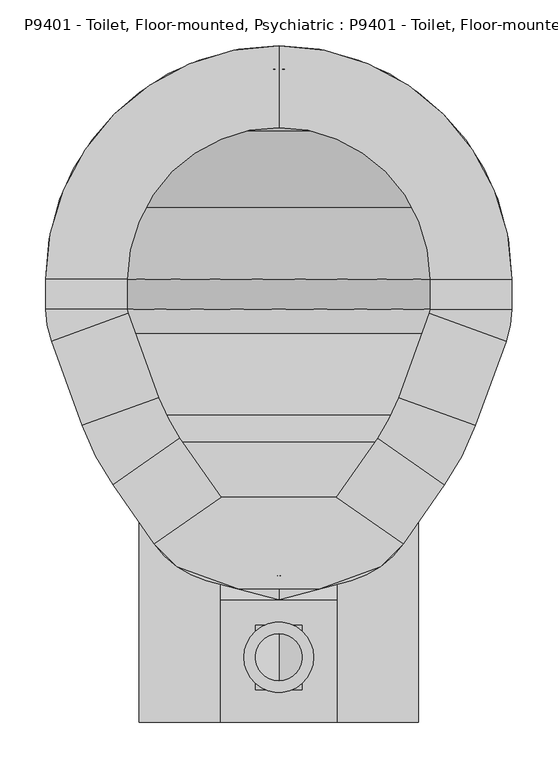
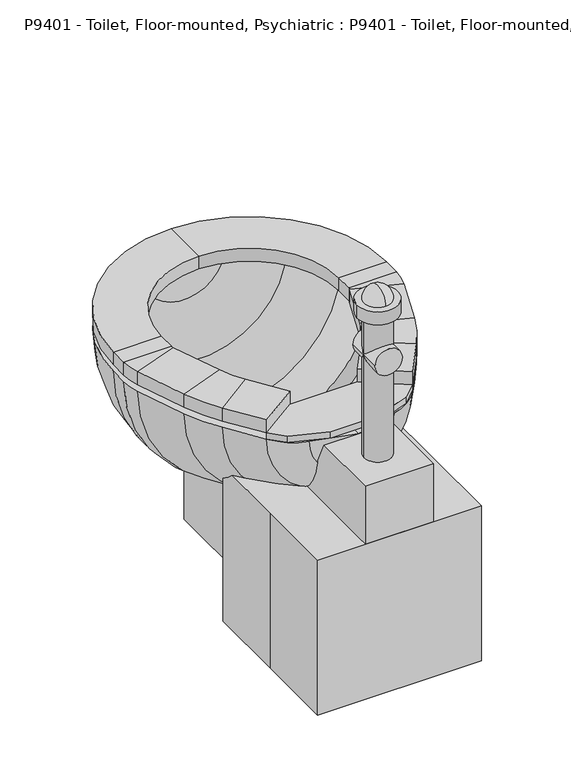
"""IFC4 building model written with IfcOpenShell, lengths in millimetres: proxy geometry, P9401 - Toilet, Floor-mounted, Psychiatric : P9401 - Toilet, Floor-mounted, Psychiatric."""

from ifc_helpers import new_model, si_unit, point, frame, frame_2d, origin, origin_with_axes, place, context, project, spatial, polyline, circle_curve, ellipse_curve, trimmed, segment, composite_curve, outline, extrude, source, transform, mapped, element, save
from ifc_brep_helpers import plane_surface, cylinder_surface, revolved_surface, advanced_brep


def p9401_toilet_floor_mounted_psychiatric_p9401_toilet_floor_46becfc2(model_context):
    return source(origin(), model_context, "Body", "SolidModel", [
        extrude(outline(polyline([(-152.4, -152.4), (-152.4, 0.0), (-152.4, 152.4), (152.4, 152.4), (152.4, -152.4), (-152.4, -152.4)])), origin_with_axes(), (0.0, 0.0, 1.0), 304.8),
        advanced_brep(
        [(-86.8731164, 568.8819257, 419.1), (-179.6051224, 509.8051224, 419.1), (-238.6819257, 417.0731164, 419.1), (-254.0, 330.2, 419.1), (-254.0, 297.3148212, 419.1), (-247.8727703, 262.5655747, 419.1), (-214.4568992, 170.7562234, 419.1), (-180.7778621, 106.0593951, 419.1), (-135.6735798, 41.6438043, 419.1), (-78.7437471, 1.7811063, 419.1), (0.0, -19.3182171, 419.1), (0.0, 6.9777978, 419.1), (-63.2399099, 23.9228806, 419.1), (-120.1697426, 63.7855786, 419.1), (-158.0533758, 117.8890139, 419.1), (-191.7324129, 182.5858422, 419.1), (-224.0045777, 271.2528863, 419.1), (-228.6, 297.3148212, 419.1), (-228.6, 330.2, 419.1), (-214.8137331, 408.3858048, 419.1), (-161.6446102, 491.8446102, 419.1), (-78.1858048, 545.0137331, 419.1), (0.0, 558.8, 419.1), (0.0, 584.2, 419.1), (86.8731164, 568.8819257, 419.1), (78.1858048, 545.0137331, 419.1), (161.6446102, 491.8446102, 419.1), (214.8137331, 408.3858048, 419.1), (228.6, 330.2, 419.1), (228.6, 297.3148212, 419.1), (224.0045777, 271.2528863, 419.1), (191.7324129, 182.5858422, 419.1), (158.0533758, 117.8890139, 419.1), (120.1697426, 63.7855786, 419.1), (63.2399099, 23.9228806, 419.1), (78.7437471, 1.7811063, 419.1), (135.6735798, 41.6438043, 419.1), (180.7778621, 106.0593951, 419.1), (214.4568992, 170.7562234, 419.1), (247.8727703, 262.5655747, 419.1), (254.0, 297.3148212, 419.1), (254.0, 330.2, 419.1), (238.6819257, 417.0731164, 419.1), (179.6051224, 509.8051224, 419.1)],
        [
            (0, 1, circle_curve(frame((0.0, 330.2, 419.1), z_axis=(0.0, 0.0, 1.0), x_axis=(0.0, 1.0, 0.0)), 254.0)),
            (1, 2, circle_curve(frame((0.0, 330.2, 419.1), z_axis=(0.0, 0.0, 1.0), x_axis=(0.0, 1.0, 0.0)), 254.0)),
            (2, 3, circle_curve(frame((0.0, 330.2, 419.1), z_axis=(0.0, 0.0, 1.0), x_axis=(0.0, 1.0, 0.0)), 254.0)),
            (3, 4),
            (4, 5, circle_curve(frame((-152.4, 297.3148212, 419.1), z_axis=(0.0, 0.0, 1.0), x_axis=(0.0, 1.0, 0.0)), 101.6)),
            (5, 6),
            (6, 7, circle_curve(frame((48.0932191, 266.3166514, 419.1), z_axis=(0.0, 0.0, 1.0), x_axis=(0.0, 1.0, 0.0)), 279.4)),
            (7, 8),
            (8, 9, circle_curve(frame((-52.4477321, 99.9191703, 419.1), z_axis=(0.0, 0.0, 1.0), x_axis=(0.0, 1.0, 0.0)), 101.6)),
            (9, 10),
            (10, 11),
            (11, 12),
            (12, 13, circle_curve(frame((-36.9438949, 122.0609446, 419.1), z_axis=(0.0, 0.0, -1.0), x_axis=(0.0, 1.0, 0.0)), 101.6)),
            (13, 14),
            (14, 15, circle_curve(frame((70.8177054, 278.1462703, 419.1), z_axis=(0.0, 0.0, -1.0), x_axis=(0.0, 1.0, 0.0)), 279.4)),
            (15, 16),
            (16, 17, circle_curve(frame((-152.4, 297.3148212, 419.1), z_axis=(0.0, 0.0, -1.0), x_axis=(0.0, 1.0, 0.0)), 76.2)),
            (17, 18),
            (18, 19, circle_curve(frame((0.0, 330.2, 419.1), z_axis=(0.0, 0.0, -1.0), x_axis=(0.0, 1.0, 0.0)), 228.6)),
            (19, 20, circle_curve(frame((0.0, 330.2, 419.1), z_axis=(0.0, 0.0, -1.0), x_axis=(0.0, 1.0, 0.0)), 228.6)),
            (20, 21, circle_curve(frame((0.0, 330.2, 419.1), z_axis=(0.0, 0.0, -1.0), x_axis=(0.0, 1.0, 0.0)), 228.6)),
            (21, 22, circle_curve(frame((0.0, 330.2, 419.1), z_axis=(0.0, 0.0, -1.0), x_axis=(0.0, 1.0, 0.0)), 228.6)),
            (22, 23),
            (23, 0, circle_curve(frame((0.0, 330.2, 419.1), z_axis=(0.0, 0.0, 1.0), x_axis=(0.0, 1.0, 0.0)), 254.0)),
            (24, 23, circle_curve(frame((0.0, 330.2, 419.1), z_axis=(0.0, 0.0, 1.0), x_axis=(0.0, 1.0, 0.0)), 254.0)),
            (22, 25, circle_curve(frame((0.0, 330.2, 419.1), z_axis=(0.0, 0.0, -1.0), x_axis=(0.0, 1.0, 0.0)), 228.6)),
            (25, 26, circle_curve(frame((0.0, 330.2, 419.1), z_axis=(0.0, 0.0, -1.0), x_axis=(0.0, 1.0, 0.0)), 228.6)),
            (26, 27, circle_curve(frame((0.0, 330.2, 419.1), z_axis=(0.0, 0.0, -1.0), x_axis=(0.0, 1.0, 0.0)), 228.6)),
            (27, 28, circle_curve(frame((0.0, 330.2, 419.1), z_axis=(0.0, 0.0, -1.0), x_axis=(0.0, 1.0, 0.0)), 228.6)),
            (28, 29),
            (29, 30, circle_curve(frame((152.4, 297.3148212, 419.1), z_axis=(0.0, 0.0, -1.0), x_axis=(0.0, 1.0, 0.0)), 76.2)),
            (30, 31),
            (31, 32, circle_curve(frame((-70.8177054, 278.1462703, 419.1), z_axis=(0.0, 0.0, -1.0), x_axis=(0.0, 1.0, 0.0)), 279.4)),
            (32, 33),
            (33, 34, circle_curve(frame((36.9438949, 122.0609446, 419.1), z_axis=(0.0, 0.0, -1.0), x_axis=(0.0, 1.0, 0.0)), 101.6)),
            (34, 11),
            (10, 35),
            (35, 36, circle_curve(frame((52.4477321, 99.9191703, 419.1), z_axis=(0.0, 0.0, 1.0), x_axis=(0.0, 1.0, 0.0)), 101.6)),
            (36, 37),
            (37, 38, circle_curve(frame((-48.0932191, 266.3166514, 419.1), z_axis=(0.0, 0.0, 1.0), x_axis=(0.0, 1.0, 0.0)), 279.4)),
            (38, 39),
            (39, 40, circle_curve(frame((152.4, 297.3148212, 419.1), z_axis=(0.0, 0.0, 1.0), x_axis=(0.0, 1.0, 0.0)), 101.6)),
            (40, 41),
            (41, 42, circle_curve(frame((0.0, 330.2, 419.1), z_axis=(0.0, 0.0, 1.0), x_axis=(0.0, 1.0, 0.0)), 254.0)),
            (42, 43, circle_curve(frame((0.0, 330.2, 419.1), z_axis=(0.0, 0.0, 1.0), x_axis=(0.0, 1.0, 0.0)), 254.0)),
            (43, 24, circle_curve(frame((0.0, 330.2, 419.1), z_axis=(0.0, 0.0, 1.0), x_axis=(0.0, 1.0, 0.0)), 254.0)),
            (24, 0, circle_curve(frame((0.0, 568.8819257, 419.1), z_axis=(0.0, 1.0, 0.0), x_axis=(-1.0, 0.0, 0.0)), 86.8731164)),
            (21, 25, circle_curve(frame((0.0, 545.0137331, 419.1), z_axis=(0.0, -1.0, 0.0), x_axis=(-1.0, 0.0, 0.0)), 78.1858048)),
            (20, 26, circle_curve(frame((0.0, 491.8446102, 419.1), z_axis=(0.0, -1.0, 0.0), x_axis=(-1.0, 0.0, 0.0)), 161.6446102)),
            (19, 27, circle_curve(frame((0.0, 408.3858048, 419.1), z_axis=(0.0, -1.0, 0.0), x_axis=(-1.0, 0.0, 0.0)), 214.8137331)),
            (18, 28, circle_curve(frame((0.0, 330.2, 419.1), z_axis=(0.0, -1.0, 0.0), x_axis=(-1.0, 0.0, 0.0)), 228.6)),
            (17, 29, circle_curve(frame((0.0, 297.3148212, 419.1), z_axis=(0.0, -1.0, 0.0), x_axis=(-1.0, 0.0, 0.0)), 228.6)),
            (16, 30, circle_curve(frame((0.0, 271.2528863, 419.1), z_axis=(0.0, -1.0, 0.0), x_axis=(-1.0, 0.0, 0.0)), 224.0045777)),
            (15, 31, circle_curve(frame((0.0, 182.5858422, 419.1), z_axis=(0.0, -1.0, 0.0), x_axis=(-1.0, 0.0, 0.0)), 191.7324129)),
            (14, 32, circle_curve(frame((0.0, 117.8890139, 419.1), z_axis=(0.0, -1.0, 0.0), x_axis=(-1.0, 0.0, 0.0)), 158.0533758)),
            (13, 33, circle_curve(frame((0.0, 63.7855786, 419.1), z_axis=(0.0, -1.0, 0.0), x_axis=(-1.0, 0.0, 0.0)), 120.1697426)),
            (12, 34, circle_curve(frame((0.0, 23.9228806, 419.1), z_axis=(0.0, -1.0, 0.0), x_axis=(-1.0, 0.0, 0.0)), 63.2399099)),
            (9, 35, circle_curve(frame((0.0, 1.7811063, 419.1), z_axis=(0.0, -1.0, 0.0), x_axis=(-1.0, 0.0, 0.0)), 78.7437471)),
            (8, 36, circle_curve(frame((0.0, 41.6438043, 419.1), z_axis=(0.0, -1.0, 0.0), x_axis=(-1.0, 0.0, 0.0)), 135.6735798)),
            (7, 37, circle_curve(frame((0.0, 106.0593951, 419.1), z_axis=(0.0, -1.0, 0.0), x_axis=(-1.0, 0.0, 0.0)), 180.7778621)),
            (6, 38, circle_curve(frame((0.0, 170.7562234, 419.1), z_axis=(0.0, -1.0, 0.0), x_axis=(-1.0, 0.0, 0.0)), 214.4568992)),
            (5, 39, circle_curve(frame((0.0, 262.5655747, 419.1), z_axis=(0.0, -1.0, 0.0), x_axis=(-1.0, 0.0, 0.0)), 247.8727703)),
            (4, 40, circle_curve(frame((0.0, 297.3148212, 419.1), z_axis=(0.0, -1.0, 0.0), x_axis=(-1.0, 0.0, 0.0)), 254.0)),
            (3, 41, circle_curve(frame((0.0, 330.2, 419.1), z_axis=(0.0, -1.0, 0.0), x_axis=(-1.0, 0.0, 0.0)), 254.0)),
            (2, 42, circle_curve(frame((0.0, 417.0731164, 419.1), z_axis=(0.0, -1.0, 0.0), x_axis=(-1.0, 0.0, 0.0)), 238.6819257)),
            (1, 43, circle_curve(frame((0.0, 509.8051224, 419.1), z_axis=(0.0, -1.0, 0.0), x_axis=(-1.0, 0.0, 0.0)), 179.6051224)),
        ],
        [
            plane_surface(frame((0.0, 689.4102448, 419.1), z_axis=(0.0, 0.0, 1.0), x_axis=(-1.0, 0.0, 0.0))),
            plane_surface(frame((0.0, 689.4102448, 419.1), z_axis=(0.0, 0.0, 1.0), x_axis=(1.0, 0.0, 0.0))),
            revolved_surface(trimmed(ellipse_curve(frame((0.0, 330.2, 419.1), z_axis=(0.0, 0.0, -1.0), x_axis=(0.0, 1.0, 0.0)), 254.0, 254.0), [point((-86.8731164, 568.8819257, 419.1))], [point((0.0, 584.2, 419.1))], True, "CARTESIAN"), (0.0, 689.4102448, 419.1), (0.0, 1.0, 0.0)),
            revolved_surface(trimmed(ellipse_curve(frame((0.0, 330.2, 419.1), z_axis=(0.0, 0.0, 1.0), x_axis=(0.0, 1.0, 0.0)), 228.6, 228.6), [point((0.0, 558.8, 419.1))], [point((-78.1858048, 545.0137331, 419.1))], True, "CARTESIAN"), (0.0, 689.4102448, 419.1), (0.0, 1.0, 0.0)),
            revolved_surface(trimmed(ellipse_curve(frame((0.0, 330.2, 419.1), z_axis=(0.0, 0.0, 1.0), x_axis=(0.0, 1.0, 0.0)), 228.6, 228.6), [point((-78.1858048, 545.0137331, 419.1))], [point((-161.6446102, 491.8446102, 419.1))], True, "CARTESIAN"), (0.0, 689.4102448, 419.1), (0.0, 1.0, 0.0)),
            revolved_surface(trimmed(ellipse_curve(frame((0.0, 330.2, 419.1), z_axis=(0.0, 0.0, 1.0), x_axis=(0.0, 1.0, 0.0)), 228.6, 228.6), [point((-161.6446102, 491.8446102, 419.1))], [point((-214.8137331, 408.3858048, 419.1))], True, "CARTESIAN"), (0.0, 689.4102448, 419.1), (0.0, 1.0, 0.0)),
            revolved_surface(trimmed(ellipse_curve(frame((0.0, 330.2, 419.1), z_axis=(0.0, 0.0, 1.0), x_axis=(0.0, 1.0, 0.0)), 228.6, 228.6), [point((-214.8137331, 408.3858048, 419.1))], [point((-228.6, 330.2, 419.1))], True, "CARTESIAN"), (0.0, 689.4102448, 419.1), (0.0, 1.0, 0.0)),
            revolved_surface(polyline([(-228.6, 330.2, 419.1), (-228.6, 297.3148212, 419.1)]), (0.0, 689.4102448, 419.1), (0.0, 1.0, 0.0)),
            revolved_surface(trimmed(ellipse_curve(frame((-152.4, 297.3148212, 419.1), z_axis=(0.0, 0.0, 1.0), x_axis=(0.0, 1.0, 0.0)), 76.2, 76.2), [point((-228.6, 297.3148212, 419.1))], [point((-224.0045777, 271.2528863, 419.1))], True, "CARTESIAN"), (0.0, 689.4102448, 419.1), (0.0, 1.0, 0.0)),
            revolved_surface(polyline([(-224.0045777, 271.2528863, 419.1), (-191.7324129, 182.5858422, 419.1)]), (0.0, 689.4102448, 419.1), (0.0, 1.0, 0.0)),
            revolved_surface(trimmed(ellipse_curve(frame((70.8177054, 278.1462703, 419.1), z_axis=(0.0, 0.0, 1.0), x_axis=(0.0, 1.0, 0.0)), 279.4, 279.4), [point((-191.7324129, 182.5858422, 419.1))], [point((-158.0533758, 117.8890139, 419.1))], True, "CARTESIAN"), (0.0, 689.4102448, 419.1), (0.0, 1.0, 0.0)),
            revolved_surface(polyline([(-158.0533758, 117.8890139, 419.1), (-120.1697426, 63.7855786, 419.1)]), (0.0, 689.4102448, 419.1), (0.0, 1.0, 0.0)),
            revolved_surface(trimmed(ellipse_curve(frame((-36.9438949, 122.0609446, 419.1), z_axis=(0.0, 0.0, 1.0), x_axis=(0.0, 1.0, 0.0)), 101.6, 101.6), [point((-120.1697426, 63.7855786, 419.1))], [point((-63.2399099, 23.9228806, 419.1))], True, "CARTESIAN"), (0.0, 689.4102448, 419.1), (0.0, 1.0, 0.0)),
            revolved_surface(polyline([(-63.2399099, 23.9228806, 419.1), (0.0, 6.9777978, 419.1)]), (0.0, 689.4102448, 419.1), (0.0, 1.0, 0.0)),
            revolved_surface(polyline([(0.0, -19.3182171, 419.1), (-78.7437471, 1.7811063, 419.1)]), (0.0, 689.4102448, 419.1), (0.0, 1.0, 0.0)),
            revolved_surface(trimmed(ellipse_curve(frame((-52.4477321, 99.9191703, 419.1), z_axis=(0.0, 0.0, -1.0), x_axis=(0.0, 1.0, 0.0)), 101.6, 101.6), [point((-78.7437471, 1.7811063, 419.1))], [point((-135.6735798, 41.6438043, 419.1))], True, "CARTESIAN"), (0.0, 689.4102448, 419.1), (0.0, 1.0, 0.0)),
            revolved_surface(polyline([(-135.6735798, 41.6438043, 419.1), (-180.7778621, 106.0593951, 419.1)]), (0.0, 689.4102448, 419.1), (0.0, 1.0, 0.0)),
            revolved_surface(trimmed(ellipse_curve(frame((48.0932191, 266.3166514, 419.1), z_axis=(0.0, 0.0, -1.0), x_axis=(0.0, 1.0, 0.0)), 279.4, 279.4), [point((-180.7778621, 106.0593951, 419.1))], [point((-214.4568992, 170.7562234, 419.1))], True, "CARTESIAN"), (0.0, 689.4102448, 419.1), (0.0, 1.0, 0.0)),
            revolved_surface(polyline([(-214.4568992, 170.7562234, 419.1), (-247.8727703, 262.5655747, 419.1)]), (0.0, 689.4102448, 419.1), (0.0, 1.0, 0.0)),
            revolved_surface(trimmed(ellipse_curve(frame((-152.4, 297.3148212, 419.1), z_axis=(0.0, 0.0, -1.0), x_axis=(0.0, 1.0, 0.0)), 101.6, 101.6), [point((-247.8727703, 262.5655747, 419.1))], [point((-254.0, 297.3148212, 419.1))], True, "CARTESIAN"), (0.0, 689.4102448, 419.1), (0.0, 1.0, 0.0)),
            cylinder_surface(frame((0.0, 689.4102448, 419.1), z_axis=(0.0, 1.0, 0.0), x_axis=(-1.0, 0.0, 0.0)), 254.0),
            revolved_surface(trimmed(ellipse_curve(frame((0.0, 330.2, 419.1), z_axis=(0.0, 0.0, -1.0), x_axis=(0.0, 1.0, 0.0)), 254.0, 254.0), [point((-254.0, 330.2, 419.1))], [point((-238.6819257, 417.0731164, 419.1))], True, "CARTESIAN"), (0.0, 689.4102448, 419.1), (0.0, 1.0, 0.0)),
            revolved_surface(trimmed(ellipse_curve(frame((0.0, 330.2, 419.1), z_axis=(0.0, 0.0, -1.0), x_axis=(0.0, 1.0, 0.0)), 254.0, 254.0), [point((-238.6819257, 417.0731164, 419.1))], [point((-179.6051224, 509.8051224, 419.1))], True, "CARTESIAN"), (0.0, 689.4102448, 419.1), (0.0, 1.0, 0.0)),
            revolved_surface(trimmed(ellipse_curve(frame((0.0, 330.2, 419.1), z_axis=(0.0, 0.0, -1.0), x_axis=(0.0, 1.0, 0.0)), 254.0, 254.0), [point((-179.6051224, 509.8051224, 419.1))], [point((-86.8731164, 568.8819257, 419.1))], True, "CARTESIAN"), (0.0, 689.4102448, 419.1), (0.0, 1.0, 0.0)),
        ],
        [
            (0, [[1, 2, 3, 4, 5, 6, 7, 8, 9, 10, 11, 12, 13, 14, 15, 16, 17, 18, 19, 20, 21, 22, 23, 24]]),
            (1, [[25, -23, 26, 27, 28, 29, 30, 31, 32, 33, 34, 35, 36, -11, 37, 38, 39, 40, 41, 42, 43, 44, 45, 46]]),
            (2, [[-25, 47, -24]]),
            (3, [[-26, -22, 48]]),
            (4, [[-27, -48, -21, 49]]),
            (5, [[-28, -49, -20, 50]]),
            (6, [[-29, -50, -19, 51]]),
            (7, [[-30, -51, -18, 52]]),
            (8, [[-31, -52, -17, 53]]),
            (9, [[-32, -53, -16, 54]]),
            (10, [[-33, -54, -15, 55]]),
            (11, [[-34, -55, -14, 56]]),
            (12, [[-35, -56, -13, 57]]),
            (13, [[-36, -57, -12]]),
            (14, [[-37, -10, 58]]),
            (15, [[-38, -58, -9, 59]]),
            (16, [[-39, -59, -8, 60]]),
            (17, [[-40, -60, -7, 61]]),
            (18, [[-41, -61, -6, 62]]),
            (19, [[-42, -62, -5, 63]]),
            (20, [[-43, -63, -4, 64]]),
            (21, [[-44, -64, -3, 65]]),
            (22, [[-45, -65, -2, 66]]),
            (23, [[-46, -66, -1, -47]]),
        ],
    ),
        extrude(outline(polyline([(-62.8509631, 92.6347495), (62.8509631, 92.6347495), (135.6735798, 41.6438043), (110.7230981, 16.6933226), (44.6607552, -7.3514039), (-44.6607552, -7.3514039), (-110.7230981, 16.6933226), (-135.6735798, 41.6438043), (-62.8509631, 92.6347495)])), frame((0.0, 0.0, 419.1), z_axis=(0.0, 0.0, 1.0), x_axis=(1.0, 0.0, 0.0)), (0.0, 0.0, 1.0), 12.7),
        advanced_brep(
        [(-62.8509631, 92.6347495, 431.8), (-62.8509631, 92.6347495, 457.2), (-135.6735798, 41.6438043, 457.2), (-135.6735798, 41.6438043, 431.8), (-180.7778621, 106.0593951, 431.8), (-107.9552454, 157.0503403, 431.8), (-180.7778621, 106.0593951, 457.2), (-107.9552454, 157.0503403, 457.2), (-214.4568992, 170.7562234, 431.8), (-130.9182252, 201.1618141, 431.8), (-214.4568992, 170.7562234, 457.2), (-130.9182252, 201.1618141, 457.2), (-247.8727703, 262.5655747, 431.8), (-164.3340963, 292.9711654, 431.8), (-247.8727703, 262.5655747, 457.2), (-164.3340963, 292.9711654, 457.2), (-254.0, 297.3148212, 431.8), (-165.1, 297.3148212, 431.8), (-254.0, 297.3148212, 457.2), (-165.1, 297.3148212, 457.2), (-254.0, 330.2, 431.8), (-165.1, 330.2, 431.8), (-254.0, 330.2, 457.2), (-165.1, 330.2, 457.2), (0.0, 584.2, 431.8), (0.0, 495.3, 431.8), (0.0, 584.2, 457.2), (0.0, 495.3, 457.2), (254.0, 330.2, 431.8), (165.1, 330.2, 431.8), (254.0, 330.2, 457.2), (165.1, 330.2, 457.2), (254.0, 297.3148212, 431.8), (165.1, 297.3148212, 431.8), (254.0, 297.3148212, 457.2), (165.1, 297.3148212, 457.2), (247.8727703, 262.5655747, 431.8), (164.3340963, 292.9711654, 431.8), (247.8727703, 262.5655747, 457.2), (164.3340963, 292.9711654, 457.2), (214.4568992, 170.7562234, 431.8), (130.9182252, 201.1618141, 431.8), (214.4568992, 170.7562234, 457.2), (130.9182252, 201.1618141, 457.2), (180.7778621, 106.0593951, 431.8), (107.9552454, 157.0503403, 431.8), (180.7778621, 106.0593951, 457.2), (107.9552454, 157.0503403, 457.2), (62.8509631, 92.6347495, 431.8), (135.6735798, 41.6438043, 431.8), (135.6735798, 41.6438043, 457.2), (62.8509631, 92.6347495, 457.2)],
        [
            (0, 1),
            (1, 2),
            (2, 3),
            (3, 0),
            (3, 4),
            (4, 5),
            (5, 0),
            (2, 6),
            (6, 4),
            (1, 7),
            (7, 6),
            (5, 7),
            (8, 9),
            (9, 5, circle_curve(frame((48.0932191, 266.3166514, 431.8), z_axis=(0.0, 0.0, 1.0), x_axis=(-0.81915204428899, -0.5735764363510486, 0.0)), 190.5)),
            (4, 8, circle_curve(frame((48.0932191, 266.3166514, 431.8), z_axis=(0.0, 0.0, -1.0), x_axis=(-0.81915204428899, -0.5735764363510486, 0.0)), 279.4)),
            (10, 8),
            (6, 10, circle_curve(frame((48.0932191, 266.3166514, 457.2), z_axis=(0.0, 0.0, -1.0), x_axis=(-0.81915204428899, -0.5735764363510486, 0.0)), 279.4)),
            (11, 10),
            (7, 11, circle_curve(frame((48.0932191, 266.3166514, 457.2), z_axis=(0.0, 0.0, -1.0), x_axis=(-0.81915204428899, -0.5735764363510486, 0.0)), 190.5)),
            (9, 11),
            (8, 12),
            (12, 13),
            (13, 9),
            (10, 14),
            (14, 12),
            (11, 15),
            (15, 14),
            (13, 15),
            (16, 17),
            (17, 13, circle_curve(frame((-152.4, 297.3148212, 431.8), z_axis=(0.0, 0.0, 1.0), x_axis=(-0.9396926207859063, -0.34202014332567443, 0.0)), 12.7)),
            (12, 16, circle_curve(frame((-152.4, 297.3148212, 431.8), z_axis=(0.0, 0.0, -1.0), x_axis=(-0.9396926207859063, -0.34202014332567443, 0.0)), 101.6)),
            (18, 16),
            (14, 18, circle_curve(frame((-152.4, 297.3148212, 457.2), z_axis=(0.0, 0.0, -1.0), x_axis=(-0.9396926207859063, -0.34202014332567443, 0.0)), 101.6)),
            (19, 18),
            (15, 19, circle_curve(frame((-152.4, 297.3148212, 457.2), z_axis=(0.0, 0.0, -1.0), x_axis=(-0.9396926207859063, -0.34202014332567443, 0.0)), 12.7)),
            (17, 19),
            (16, 20),
            (20, 21),
            (21, 17),
            (18, 22),
            (22, 20),
            (19, 23),
            (23, 22),
            (21, 23),
            (24, 25),
            (25, 21, circle_curve(frame((0.0, 330.2, 431.8), z_axis=(0.0, 0.0, 1.0), x_axis=(-1.0, 0.0, 0.0)), 165.1)),
            (20, 24, circle_curve(frame((0.0, 330.2, 431.8), z_axis=(0.0, 0.0, -1.0), x_axis=(-1.0, 0.0, 0.0)), 254.0)),
            (26, 24),
            (22, 26, circle_curve(frame((0.0, 330.2, 457.2), z_axis=(0.0, 0.0, -1.0), x_axis=(-1.0, 0.0, 0.0)), 254.0)),
            (27, 26),
            (23, 27, circle_curve(frame((0.0, 330.2, 457.2), z_axis=(0.0, 0.0, -1.0), x_axis=(-1.0, 0.0, 0.0)), 165.1)),
            (25, 27),
            (28, 29),
            (29, 25, circle_curve(frame((0.0, 330.2, 431.8), z_axis=(0.0, 0.0, 1.0), x_axis=(0.0, 1.0, 0.0)), 165.1)),
            (24, 28, circle_curve(frame((0.0, 330.2, 431.8), z_axis=(0.0, 0.0, -1.0), x_axis=(0.0, 1.0, 0.0)), 254.0)),
            (30, 28),
            (26, 30, circle_curve(frame((0.0, 330.2, 457.2), z_axis=(0.0, 0.0, -1.0), x_axis=(0.0, 1.0, 0.0)), 254.0)),
            (31, 30),
            (27, 31, circle_curve(frame((0.0, 330.2, 457.2), z_axis=(0.0, 0.0, -1.0), x_axis=(0.0, 1.0, 0.0)), 165.1)),
            (29, 31),
            (28, 32),
            (32, 33),
            (33, 29),
            (30, 34),
            (34, 32),
            (31, 35),
            (35, 34),
            (33, 35),
            (36, 37),
            (37, 33, circle_curve(frame((152.4, 297.3148212, 431.8), z_axis=(0.0, 0.0, 1.0), x_axis=(1.0, 0.0, 0.0)), 12.7)),
            (32, 36, circle_curve(frame((152.4, 297.3148212, 431.8), z_axis=(0.0, 0.0, -1.0), x_axis=(1.0, 0.0, 0.0)), 101.6)),
            (38, 36),
            (34, 38, circle_curve(frame((152.4, 297.3148212, 457.2), z_axis=(0.0, 0.0, -1.0), x_axis=(1.0, 0.0, 0.0)), 101.6)),
            (39, 38),
            (35, 39, circle_curve(frame((152.4, 297.3148212, 457.2), z_axis=(0.0, 0.0, -1.0), x_axis=(1.0, 0.0, 0.0)), 12.7)),
            (37, 39),
            (36, 40),
            (40, 41),
            (41, 37),
            (38, 42),
            (42, 40),
            (39, 43),
            (43, 42),
            (41, 43),
            (44, 45),
            (45, 41, circle_curve(frame((-48.0932191, 266.3166514, 431.8), z_axis=(0.0, 0.0, 1.0), x_axis=(0.9396926207859088, -0.34202014332566766, 0.0)), 190.5)),
            (40, 44, circle_curve(frame((-48.0932191, 266.3166514, 431.8), z_axis=(0.0, 0.0, -1.0), x_axis=(0.9396926207859088, -0.34202014332566766, 0.0)), 279.4)),
            (46, 44),
            (42, 46, circle_curve(frame((-48.0932191, 266.3166514, 457.2), z_axis=(0.0, 0.0, -1.0), x_axis=(0.9396926207859088, -0.34202014332566766, 0.0)), 279.4)),
            (47, 46),
            (43, 47, circle_curve(frame((-48.0932191, 266.3166514, 457.2), z_axis=(0.0, 0.0, -1.0), x_axis=(0.9396926207859088, -0.34202014332566766, 0.0)), 190.5)),
            (45, 47),
            (48, 49),
            (49, 50),
            (50, 51),
            (51, 48),
            (44, 49),
            (48, 45),
            (46, 50),
            (47, 51),
        ],
        [
            plane_surface(frame((-135.6735798, 41.6438043, 322.3796816), z_axis=(0.5735764363510432, -0.8191520442889938, 0.0), x_axis=(0.8191520442889938, 0.5735764363510432, 0.0))),
            plane_surface(frame((-62.8509631, 92.6347495, 431.8), z_axis=(0.0, 0.0, -1.0000000000000002), x_axis=(-0.5735764363510432, 0.8191520442889939, 0.0))),
            plane_surface(frame((-135.6735798, 41.6438043, 431.8), z_axis=(-0.8191520442889939, -0.573576436351043, 0.0), x_axis=(-0.573576436351043, 0.8191520442889939, 0.0))),
            plane_surface(frame((-135.6735798, 41.6438043, 457.2), z_axis=(0.0, 0.0, 1.0), x_axis=(-0.5735764363510429, 0.819152044288994, 0.0))),
            plane_surface(frame((-62.8509631, 92.6347495, 457.2), z_axis=(0.8191520442889941, 0.5735764363510428, 0.0), x_axis=(-0.5735764363510428, 0.8191520442889941, 0.0))),
            plane_surface(frame((48.0932191, 266.3166514, 431.8), z_axis=(0.0, 0.0, -1.0), x_axis=(-0.81915204428899, -0.5735764363510486, 0.0))),
            cylinder_surface(frame((48.0932191, 266.3166514, 419.1), z_axis=(0.0, 0.0, 1.0), x_axis=(-0.81915204428899, -0.5735764363510486, 0.0)), 279.4),
            plane_surface(frame((48.0932191, 266.3166514, 457.2), z_axis=(0.0, 0.0, 1.0), x_axis=(-0.81915204428899, -0.5735764363510486, 0.0))),
            revolved_surface(polyline([(-107.95524533705259, 157.05034027512525, 457.2), (-107.95524533705259, 157.05034027512525, 431.8)]), (48.0932191, 266.3166514, 419.1), (0.0, 0.0, 1.0)),
            plane_surface(frame((-130.9182252, 201.1618141, 431.8), z_axis=(0.0, 0.0, -1.0000000000000002), x_axis=(-0.3420201433256682, 0.9396926207859086, 0.0))),
            plane_surface(frame((-214.4568992, 170.7562234, 431.8), z_axis=(-0.9396926207859086, -0.3420201433256684, 0.0), x_axis=(-0.3420201433256684, 0.9396926207859086, 0.0))),
            plane_surface(frame((-214.4568992, 170.7562234, 457.2), z_axis=(0.0, 0.0, 1.0), x_axis=(-0.3420201433256685, 0.9396926207859085, 0.0))),
            plane_surface(frame((-130.9182252, 201.1618141, 457.2), z_axis=(0.9396926207859085, 0.34202014332566844, 0.0), x_axis=(-0.34202014332566844, 0.9396926207859085, 0.0))),
            plane_surface(frame((-152.4, 297.3148212, 431.8), z_axis=(0.0, 0.0, -1.0), x_axis=(-0.9396926207859063, -0.34202014332567443, 0.0))),
            cylinder_surface(frame((-152.4, 297.3148212, 419.1), z_axis=(0.0, 0.0, 1.0), x_axis=(-0.9396926207859063, -0.34202014332567443, 0.0)), 101.6),
            plane_surface(frame((-152.4, 297.3148212, 457.2), z_axis=(0.0, 0.0, 1.0), x_axis=(-0.9396926207859063, -0.34202014332567443, 0.0))),
            revolved_surface(polyline([(-164.334096283981, 292.97116537976393, 457.2), (-164.334096283981, 292.97116537976393, 431.8)]), (-152.4, 297.3148212, 419.1), (0.0, 0.0, 1.0)),
            plane_surface(frame((-165.1, 297.3148212, 431.8), z_axis=(0.0, 0.0, -1.0), x_axis=(0.0, 1.0, 0.0))),
            plane_surface(frame((-254.0, 297.3148212, 431.8), z_axis=(-1.0, 0.0, 0.0), x_axis=(0.0, 1.0, 0.0))),
            plane_surface(frame((-254.0, 297.3148212, 457.2), z_axis=(0.0, 0.0, 1.0), x_axis=(0.0, 1.0, 0.0))),
            plane_surface(frame((-165.1, 297.3148212, 457.2), z_axis=(1.0, 0.0, 0.0), x_axis=(0.0, 1.0, 0.0))),
            plane_surface(frame((0.0, 330.2, 431.8), z_axis=(0.0, 0.0, -1.0), x_axis=(-1.0, 0.0, 0.0))),
            cylinder_surface(frame((0.0, 330.2, 419.1), z_axis=(0.0, 0.0, 1.0), x_axis=(-1.0, 0.0, 0.0)), 254.0),
            plane_surface(frame((0.0, 330.2, 457.2), z_axis=(0.0, 0.0, 1.0), x_axis=(-1.0, 0.0, 0.0))),
            revolved_surface(polyline([(-165.1, 330.2, 457.2), (-165.1, 330.2, 431.8)]), (0.0, 330.2, 419.1), (0.0, 0.0, 1.0)),
            plane_surface(frame((0.0, 330.2, 431.8), z_axis=(0.0, 0.0, -1.0), x_axis=(0.0, 1.0, 0.0))),
            cylinder_surface(frame((0.0, 330.2, 419.1), z_axis=(0.0, 0.0, 1.0), x_axis=(0.0, 1.0, 0.0)), 254.0),
            plane_surface(frame((0.0, 330.2, 457.2), z_axis=(0.0, 0.0, 1.0), x_axis=(0.0, 1.0, 0.0))),
            revolved_surface(polyline([(0.0, 495.29999999999995, 457.2), (0.0, 495.29999999999995, 431.8)]), (0.0, 330.2, 419.1), (0.0, 0.0, 1.0)),
            plane_surface(frame((165.1, 330.2, 431.8), z_axis=(0.0, 0.0, -1.0), x_axis=(0.0, -1.0, 0.0))),
            plane_surface(frame((254.0, 330.2, 431.8), z_axis=(1.0, 0.0, 0.0), x_axis=(0.0, -1.0, 0.0))),
            plane_surface(frame((254.0, 330.2, 457.2), z_axis=(0.0, 0.0, 1.0), x_axis=(0.0, -1.0, 0.0))),
            plane_surface(frame((165.1, 330.2, 457.2), z_axis=(-1.0, 0.0, 0.0), x_axis=(0.0, -1.0, 0.0))),
            plane_surface(frame((152.4, 297.3148212, 431.8), z_axis=(0.0, 0.0, -1.0), x_axis=(1.0, 0.0, 0.0))),
            cylinder_surface(frame((152.4, 297.3148212, 419.1), z_axis=(0.0, 0.0, 1.0), x_axis=(1.0, 0.0, 0.0)), 101.6),
            plane_surface(frame((152.4, 297.3148212, 457.2), z_axis=(0.0, 0.0, 1.0), x_axis=(1.0, 0.0, 0.0))),
            revolved_surface(polyline([(165.1, 297.3148212, 457.2), (165.1, 297.3148212, 431.8)]), (152.4, 297.3148212, 419.1), (0.0, 0.0, 1.0)),
            plane_surface(frame((164.3340963, 292.9711654, 431.8), z_axis=(0.0, 0.0, -1.0), x_axis=(-0.342020143325667, -0.939692620785909, 0.0))),
            plane_surface(frame((247.8727703, 262.5655747, 431.8), z_axis=(0.9396926207859088, -0.3420201433256676, 0.0), x_axis=(-0.3420201433256676, -0.9396926207859088, 0.0))),
            plane_surface(frame((247.8727703, 262.5655747, 457.2), z_axis=(0.0, 0.0, 1.0), x_axis=(-0.34202014332566755, -0.9396926207859089, 0.0))),
            plane_surface(frame((164.3340963, 292.9711654, 457.2), z_axis=(-0.9396926207859088, 0.34202014332566794, 0.0), x_axis=(-0.34202014332566794, -0.9396926207859088, 0.0))),
            plane_surface(frame((-48.0932191, 266.3166514, 431.8), z_axis=(0.0, 0.0, -1.0), x_axis=(0.9396926207859088, -0.34202014332566766, 0.0))),
            cylinder_surface(frame((-48.0932191, 266.3166514, 419.1), z_axis=(0.0, 0.0, 1.0), x_axis=(0.9396926207859088, -0.34202014332566766, 0.0)), 279.4),
            plane_surface(frame((-48.0932191, 266.3166514, 457.2), z_axis=(0.0, 0.0, 1.0), x_axis=(0.9396926207859088, -0.34202014332566766, 0.0))),
            revolved_surface(polyline([(130.91822515971563, 201.16181409646032, 457.2), (130.91822515971563, 201.16181409646032, 431.8)]), (-48.0932191, 266.3166514, 419.1), (0.0, 0.0, 1.0)),
            plane_surface(frame((135.6735798, 41.6438043, 515.8203184), z_axis=(-0.5735764363510469, -0.8191520442889911, 0.0), x_axis=(0.8191520442889911, -0.5735764363510469, 0.0))),
            plane_surface(frame((107.9552454, 157.0503403, 431.8), z_axis=(0.0, 0.0, -1.0), x_axis=(-0.5735764363510463, -0.8191520442889917, 0.0))),
            plane_surface(frame((180.7778621, 106.0593951, 431.8), z_axis=(0.8191520442889914, -0.5735764363510469, 0.0), x_axis=(-0.5735764363510469, -0.8191520442889914, 0.0))),
            plane_surface(frame((180.7778621, 106.0593951, 457.2), z_axis=(0.0, 0.0, 1.0), x_axis=(-0.5735764363510468, -0.8191520442889914, 0.0))),
            plane_surface(frame((107.9552454, 157.0503403, 457.2), z_axis=(-0.8191520442889914, 0.5735764363510468, 0.0), x_axis=(-0.5735764363510468, -0.8191520442889914, 0.0))),
        ],
        [
            (0, [[1, 2, 3, 4]]),
            (1, [[5, 6, 7, -4]]),
            (2, [[8, 9, -5, -3]]),
            (3, [[10, 11, -8, -2]]),
            (4, [[-7, 12, -10, -1]]),
            (5, [[13, 14, -6, 15]]),
            (6, [[16, -15, -9, 17]]),
            (7, [[18, -17, -11, 19]]),
            (8, [[20, -19, -12, -14]]),
            (9, [[21, 22, 23, -13]]),
            (10, [[24, 25, -21, -16]]),
            (11, [[26, 27, -24, -18]]),
            (12, [[-23, 28, -26, -20]]),
            (13, [[29, 30, -22, 31]]),
            (14, [[32, -31, -25, 33]]),
            (15, [[34, -33, -27, 35]]),
            (16, [[36, -35, -28, -30]]),
            (17, [[37, 38, 39, -29]]),
            (18, [[40, 41, -37, -32]]),
            (19, [[42, 43, -40, -34]]),
            (20, [[-39, 44, -42, -36]]),
            (21, [[45, 46, -38, 47]]),
            (22, [[48, -47, -41, 49]]),
            (23, [[50, -49, -43, 51]]),
            (24, [[52, -51, -44, -46]]),
            (25, [[53, 54, -45, 55]]),
            (26, [[56, -55, -48, 57]]),
            (27, [[58, -57, -50, 59]]),
            (28, [[60, -59, -52, -54]]),
            (29, [[61, 62, 63, -53]]),
            (30, [[64, 65, -61, -56]]),
            (31, [[66, 67, -64, -58]]),
            (32, [[-63, 68, -66, -60]]),
            (33, [[69, 70, -62, 71]]),
            (34, [[72, -71, -65, 73]]),
            (35, [[74, -73, -67, 75]]),
            (36, [[76, -75, -68, -70]]),
            (37, [[77, 78, 79, -69]]),
            (38, [[80, 81, -77, -72]]),
            (39, [[82, 83, -80, -74]]),
            (40, [[-79, 84, -82, -76]]),
            (41, [[85, 86, -78, 87]]),
            (42, [[88, -87, -81, 89]]),
            (43, [[90, -89, -83, 91]]),
            (44, [[92, -91, -84, -86]]),
            (45, [[93, 94, 95, 96]]),
            (46, [[97, -93, 98, -85]]),
            (47, [[99, -94, -97, -88]]),
            (48, [[100, -95, -99, -90]]),
            (49, [[-98, -96, -100, -92]]),
        ],
    ),
        advanced_brep(
        [(0.0, -107.4823088, 723.9), (0.0, -81.8647263, 749.5175826), (0.0, -56.2471437, 723.9), (0.0, -81.8647263, 723.9)],
        [
            (0, 1, circle_curve(frame((0.0, -81.8647263, 723.9), z_axis=(-1.0, 0.0, 0.0), x_axis=(0.0, 1.0, 0.0)), 25.6175826)),
            (1, 2, circle_curve(frame((0.0, -81.8647263, 723.9), z_axis=(-1.0, 0.0, 0.0), x_axis=(0.0, -1.0, 0.0)), 25.6175826)),
            (2, 0, circle_curve(frame((0.0, -81.8647263, 723.9), z_axis=(0.0, 0.0, 1.0), x_axis=(0.0, 1.0, 0.0)), 25.6175826)),
            (0, 2, circle_curve(frame((0.0, -81.8647263, 723.9), z_axis=(0.0, 0.0, 1.0), x_axis=(0.0, 1.0, 0.0)), 25.6175826)),
            (3, 0),
            (2, 3),
        ],
        [
            revolved_surface(trimmed(ellipse_curve(frame((0.0, -81.8647263, 723.9), z_axis=(-1.0, 0.0, 0.0), x_axis=(0.0, -1.0, 0.0)), 25.6175826, 25.6175826), [point((0.0, -81.8647263, 749.5175826))], [point((0.0, -56.2471437, 723.9))], True, "CARTESIAN"), (0.0, -81.8647263, 788.5277273), (0.0, 0.0, -1.0)),
            plane_surface(frame((0.0, -81.8647263, 723.9), z_axis=(0.0, 0.0, -1.0), x_axis=(0.0, 1.0, 0.0))),
        ],
        [
            (0, [[1, 2, 3]]),
            (0, [[-2, -1, 4]]),
            (1, [[5, -3, 6]]),
            (1, [[-6, -4, -5]]),
        ],
    ),
        extrude(outline(composite_curve([segment(trimmed(circle_curve(frame_2d((0.0, -81.8647263)), 38.1), [point((38.1, -81.8647263))], [point((-38.1, -81.8647263))], False, "CARTESIAN"), True, "CONTINUOUS"), segment(trimmed(circle_curve(frame_2d((0.0, -81.8647263)), 38.1), [point((-38.1, -81.8647263))], [point((38.1, -81.8647263))], False, "CARTESIAN"), True, "CONTINUOUS")], self_intersect=False)), frame((0.0, 0.0, 698.5), z_axis=(0.0, 0.0, 1.0), x_axis=(1.0, 0.0, 0.0)), (0.0, 0.0, 1.0), 25.4),
        extrude(outline(composite_curve([segment(trimmed(circle_curve(frame_2d((620.4113641, 0.0)), 25.4), [point((620.4113641, 25.4))], [point((620.4113641, -25.4))], False, "CARTESIAN"), True, "CONTINUOUS"), segment(trimmed(circle_curve(frame_2d((620.4113641, 0.0)), 25.4), [point((620.4113641, -25.4))], [point((620.4113641, 25.4))], False, "CARTESIAN"), True, "CONTINUOUS")], self_intersect=False)), frame((0.0, -117.475, 0.0), z_axis=(0.0, 1.0, 0.0), x_axis=(0.0, 0.0, 1.0)), (0.0, 0.0, 1.0), 70.64375),
        extrude(outline(composite_curve([segment(trimmed(circle_curve(frame_2d((0.0, -81.8647263)), 25.4), [point((25.4, -81.8647263))], [point((-25.4, -81.8647263))], False, "CARTESIAN"), True, "CONTINUOUS"), segment(trimmed(circle_curve(frame_2d((0.0, -81.8647263)), 25.4), [point((-25.4, -81.8647263))], [point((25.4, -81.8647263))], False, "CARTESIAN"), True, "CONTINUOUS")], self_intersect=False)), frame((0.0, 0.0, 419.1), z_axis=(0.0, 0.0, 1.0), x_axis=(1.0, 0.0, 0.0)), (0.0, 0.0, 1.0), 279.4),
        extrude(outline(composite_curve([segment(trimmed(circle_curve(frame_2d((316.6842801, 541.7033118)), 357.6719869), [point((-19.3182171, 419.1))], [point((432.2037941, 203.2))], True, "CARTESIAN"), True, "CONTINUOUS"), segment(polyline([(432.2037941, 203.2), (432.2037941, 0.0), (-152.4, 0.0), (-152.4, 419.1), (-19.3182171, 419.1)]), True, "CONTINUOUS")], self_intersect=False)), frame((-63.5, 0.0, 0.0), z_axis=(1.0, 0.0, 0.0), x_axis=(0.0, 1.0, 0.0)), (0.0, 0.0, 1.0), 127.0),
    ])


if __name__ == "__main__":
    model = new_model("IFC4")
    model_context = context("Model", 3, world=origin())
    ifc_project = project(units=[si_unit("LENGTHUNIT", "METRE", prefix="MILLI")], contexts=[model_context])
    site = spatial("IfcSite", under=ifc_project)
    building = spatial("IfcBuilding", under=site)
    placement = place(None, origin())
    p9401_toilet_floor_mounted_psychiatric_p9401_toilet_floor_shape = p9401_toilet_floor_mounted_psychiatric_p9401_toilet_floor_46becfc2(model_context)
    element("IfcBuildingElementProxy", 1, Name="P9401 - Toilet, Floor-mounted, Psychiatric : P9401 - Toilet, Floor-mounted, Psychiatric", ObjectType="P9401 - Toilet, Floor-mounted, Psychiatric : P9401 - Toilet, Floor-mounted, Psychiatric", at=placement, inside=building, context=model_context, shape_type="MappedRepresentation", body=[
        mapped(p9401_toilet_floor_mounted_psychiatric_p9401_toilet_floor_shape, transform((0.0, 0.0, 0.0), x_axis=(1.0, 0.0, 0.0), y_axis=(0.0, 1.0, 0.0), z_axis=(0.0, 0.0, 1.0))),
    ])
    save(model, "model.ifc")
